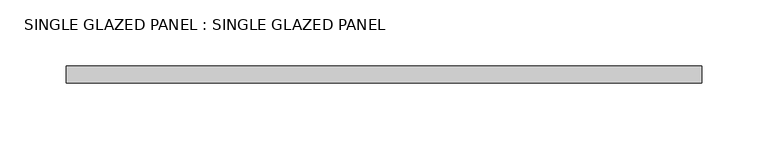
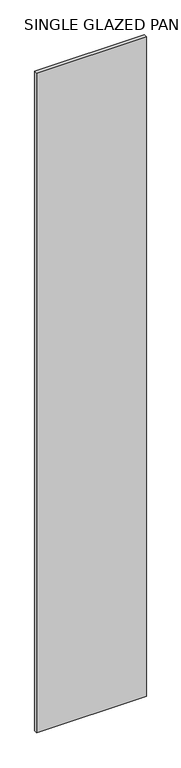
"""IFC4 building model written with IfcOpenShell, lengths in millimetres: plate geometry, SINGLE GLAZED PANEL : SINGLE GLAZED PANEL."""

from ifc_helpers import new_model, si_unit, origin, origin_with_axes, place, context, project, spatial, polyline, outline, extrude, source, transform, mapped, element, save


def single_glazed_panel_single_glazed_panel_5c5e0ac1(model_context):
    return source(origin(), model_context, "Body", "SweptSolid", [
        extrude(outline(polyline([(239.7125, -6.35), (-239.7125, -6.35), (-239.7125, 6.35), (239.7125, 6.35), (239.7125, -6.35)])), origin_with_axes(), (0.0, 0.0, 1.0), 3041.65),
    ])


if __name__ == "__main__":
    model = new_model("IFC4")
    model_context = context("Model", 3, world=origin())
    ifc_project = project(units=[si_unit("LENGTHUNIT", "METRE", prefix="MILLI")], contexts=[model_context])
    site = spatial("IfcSite", under=ifc_project)
    building = spatial("IfcBuilding", under=site)
    placement = place(None, origin())
    single_glazed_panel_single_glazed_panel_shape = single_glazed_panel_single_glazed_panel_5c5e0ac1(model_context)
    element("IfcPlate", 1, ObjectType="SINGLE GLAZED PANEL : SINGLE GLAZED PANEL", at=placement, inside=building, context=model_context, shape_type="MappedRepresentation", body=[
        mapped(single_glazed_panel_single_glazed_panel_shape, transform((0.0, 0.0, 0.0), x_axis=(1.0, 0.0, 0.0), y_axis=(0.0, 1.0, 0.0), z_axis=(0.0, 0.0, 1.0))),
    ])
    save(model, "model.ifc")
